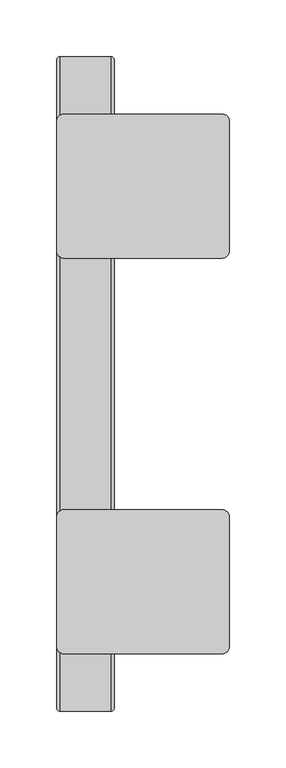
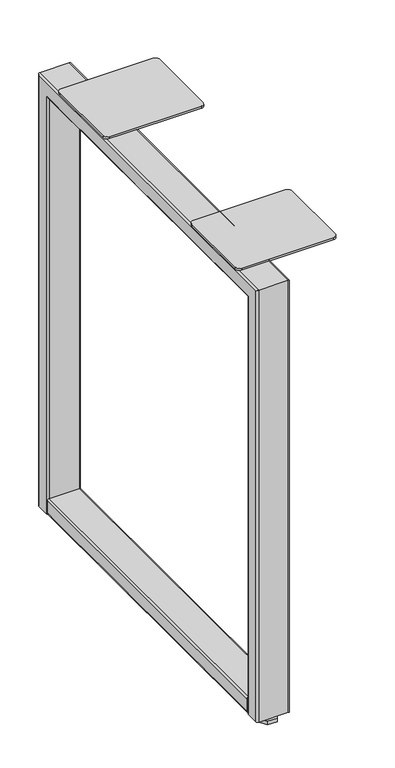
"""IFC4 building model written with IfcOpenShell, lengths in millimetres: furniture geometry."""

from ifc_helpers import new_model, si_unit, point, frame, frame_2d, origin, origin_with_axes, place, context, project, spatial, polyline, circle_curve, ellipse_curve, trimmed, segment, composite_curve, outline, extrude, source, transform, mapped, element, save
from ifc_brep_helpers import plane_surface, cylinder_surface, advanced_brep


def furniture_127b1be9(model_context):
    return source(origin(), model_context, "Body", "SolidModel", [
        extrude(outline(polyline([(37.813262, -579.5470294), (45.1465239, -592.2486117), (37.813262, -604.950194), (23.146738, -604.950194), (15.8134761, -592.2486117), (23.146738, -579.5470294), (37.813262, -579.5470294)])), origin_with_axes(), (0.0, 0.0, 1.0), 5.5879998),
        extrude(outline(polyline([(37.8123494, -33.7057875), (45.1446988, -46.4057893), (37.8123494, -59.105791), (23.1476506, -59.105791), (15.8153012, -46.4057893), (23.1476506, -33.7057875), (37.8123494, -33.7057875)])), origin_with_axes(), (0.0, 0.0, 1.0), 5.5879998),
        extrude(outline(polyline([(32.8621655, -42.2797575), (35.2443311, -46.4057893), (32.8621655, -50.531821), (28.0978345, -50.531821), (25.7156689, -46.4057893), (28.0978345, -42.2797575), (32.8621655, -42.2797575)])), origin_with_axes(), (0.0, 0.0, 1.0), 68.199153),
        extrude(outline(polyline([(32.8612504, -588.1241651), (35.2425008, -592.2486117), (32.8612504, -596.3730584), (28.0987496, -596.3730584), (25.7174992, -592.2486117), (28.0987496, -588.1241651), (32.8612504, -588.1241651)])), origin_with_axes(), (0.0, 0.0, 1.0), 68.199153),
        extrude(outline(composite_curve([segment(polyline([(37.2236999, 53.1114001), (37.2236999, 7.8485992)]), True, "CONTINUOUS"), segment(trimmed(circle_curve(frame_2d((34.4551008, 7.8485992)), 2.7685992), [point((37.2236999, 7.8485992))], [point((34.4551008, 5.08))], False, "CARTESIAN"), True, "CONTINUOUS"), segment(polyline([(34.4551008, 5.08), (14.5922995, 5.08)]), True, "CONTINUOUS"), segment(trimmed(circle_curve(frame_2d((14.5922995, 7.8485992)), 2.7685992), [point((14.5922995, 5.08))], [point((11.8237003, 7.8485992))], False, "CARTESIAN"), True, "CONTINUOUS"), segment(polyline([(11.8237003, 7.8485992), (11.8237003, 53.111432)]), True, "CONTINUOUS"), segment(trimmed(circle_curve(frame_2d((14.5922684, 53.111432)), 2.768568), [point((11.8237003, 53.111432))], [point((14.5922684, 55.88))], False, "CARTESIAN"), True, "CONTINUOUS"), segment(polyline([(14.5922684, 55.88), (34.4551, 55.88)]), True, "CONTINUOUS"), segment(trimmed(circle_curve(frame_2d((34.4551, 53.1114001)), 2.7685999), [point((34.4551, 55.88))], [point((37.2236999, 53.1114001))], False, "CARTESIAN"), True, "CONTINUOUS")], self_intersect=False)), frame((0.0, -582.5998, 0.0), z_axis=(0.0, 1.0, 0.0), x_axis=(0.0, 0.0, 1.0)), (0.0, 0.0, 1.0), 526.542),
        advanced_brep(
        [(7.8485901, -608.2538, 11.8237003), (5.08, -605.4852099, 11.8237003), (5.08, -585.6224098, 11.8237003), (7.8486105, -582.8537992, 11.8237003), (53.1114046, -582.8537992, 11.8237003), (55.8799992, -585.6223939, 11.8237003), (55.8800083, -605.4852236, 11.8237003), (53.111432, -608.2538, 11.8237003), (7.8485901, -608.2538, 707.7956896), (5.08, -605.4852099, 705.0270995), (5.08, -33.1723901, 705.0270995), (5.08, -33.1723901, 11.8237003), (5.08, -53.0351902, 11.8237003), (5.08, -53.0351902, 685.1642994), (5.08, -585.6224098, 685.1642994), (7.8486105, -582.8537992, 682.3956889), (53.1114046, -582.8537992, 682.3956889), (55.8799992, -585.6223939, 685.1642835), (55.8800083, -53.0351993, 685.1642903), (55.8800083, -53.0351993, 11.8237003), (55.8800083, -33.1723764, 11.8237003), (55.8800083, -33.1723764, 705.0271132), (55.8800083, -605.4852236, 705.0271132), (53.111432, -608.2538, 707.7956896), (7.8485901, -30.4038, 707.7956896), (7.8486105, -55.8038008, 682.3956889), (53.1114046, -55.8038008, 682.3956889), (53.111432, -30.4038, 707.7956896), (7.8485901, -30.4038, 11.8237003), (53.111432, -30.4038, 11.8237003), (53.1114046, -55.8038008, 11.8237003), (7.8486105, -55.8038008, 11.8237003)],
        [
            (0, 1, circle_curve(frame((7.8485901, -605.4852099, 11.8237003), z_axis=(0.0, 0.0, -1.0), x_axis=(1.0, 0.0, 0.0)), 2.7685901)),
            (1, 2),
            (2, 3, circle_curve(frame((7.8486105, -585.6224098, 11.8237003), z_axis=(0.0, 0.0, -1.0), x_axis=(1.0, 0.0, 0.0)), 2.7686105)),
            (3, 4),
            (4, 5, circle_curve(frame((53.1114046, -585.6223939, 11.8237003), z_axis=(0.0, 0.0, -1.0), x_axis=(1.0, 0.0, 0.0)), 2.7685946)),
            (5, 6),
            (6, 7, circle_curve(frame((53.111432, -605.4852236, 11.8237003), z_axis=(0.0, 0.0, -1.0), x_axis=(1.0, 0.0, 0.0)), 2.7685764)),
            (7, 0),
            (0, 8),
            (8, 9, ellipse_curve(frame((7.8485901, -605.4852099, 705.0270995), z_axis=(0.0, -0.7071067811865476, -0.7071067811865475), x_axis=(0.0, 0.7071067811865474, -0.7071067811865476)), 3.9153777, 2.7685901)),
            (9, 1),
            (9, 10),
            (10, 11),
            (11, 12),
            (12, 13),
            (13, 14),
            (14, 2),
            (14, 15, ellipse_curve(frame((7.8486105, -585.6224098, 685.1642994), z_axis=(0.0, -0.7071067811865476, -0.7071067811865475), x_axis=(0.0, 0.7071067811865474, -0.7071067811865476)), 3.9154066, 2.7686105)),
            (15, 3),
            (15, 16),
            (16, 4),
            (16, 17, ellipse_curve(frame((53.1114046, -585.6223939, 685.1642835), z_axis=(0.0, -0.7071067811865476, -0.7071067811865475), x_axis=(0.0, 0.7071067811865474, -0.7071067811865476)), 3.9153841, 2.7685946)),
            (17, 5),
            (17, 18),
            (18, 19),
            (19, 20),
            (20, 21),
            (21, 22),
            (22, 6),
            (22, 23, ellipse_curve(frame((53.111432, -605.4852236, 705.0271132), z_axis=(0.0, -0.7071067811865476, -0.7071067811865475), x_axis=(0.0, 0.7071067811865474, -0.7071067811865476)), 3.9153583, 2.7685764)),
            (23, 7),
            (23, 8),
            (8, 24),
            (24, 10, ellipse_curve(frame((7.8485901, -33.1723901, 705.0270995), z_axis=(0.0, -0.7071067811865649, 0.70710678118653), x_axis=(0.0, -0.7071067811865303, -0.7071067811865648)), 3.9153777, 2.7685901)),
            (13, 25, ellipse_curve(frame((7.8486105, -53.0351902, 685.1642994), z_axis=(0.0, -0.7071067811865649, 0.70710678118653), x_axis=(0.0, -0.7071067811865303, -0.7071067811865648)), 3.9154066, 2.7686105)),
            (25, 15),
            (25, 26),
            (26, 16),
            (26, 18, ellipse_curve(frame((53.1114046, -53.0352061, 685.1642835), z_axis=(0.0, -0.7071067811865649, 0.70710678118653), x_axis=(0.0, -0.7071067811865303, -0.7071067811865648)), 3.9153841, 2.7685946)),
            (21, 27, ellipse_curve(frame((53.111432, -33.1723764, 705.0271132), z_axis=(0.0, -0.7071067811865649, 0.70710678118653), x_axis=(0.0, -0.7071067811865303, -0.7071067811865648)), 3.9153583, 2.7685764)),
            (27, 23),
            (27, 24),
            (28, 29),
            (29, 20, circle_curve(frame((53.111432, -33.1723764, 11.8237003), z_axis=(0.0, 0.0, -1.0), x_axis=(1.0, 0.0, 0.0)), 2.7685764)),
            (19, 30, circle_curve(frame((53.1114046, -53.0352061, 11.8237003), z_axis=(0.0, 0.0, -1.0), x_axis=(1.0, 0.0, 0.0)), 2.7685946)),
            (30, 31),
            (31, 12, circle_curve(frame((7.8486105, -53.0351902, 11.8237003), z_axis=(0.0, 0.0, -1.0), x_axis=(1.0, 0.0, 0.0)), 2.7686105)),
            (11, 28, circle_curve(frame((7.8485901, -33.1723901, 11.8237003), z_axis=(0.0, 0.0, -1.0), x_axis=(1.0, 0.0, 0.0)), 2.7685901)),
            (24, 28),
            (31, 25),
            (30, 26),
            (29, 27),
        ],
        [
            plane_surface(frame((5.08, -608.2538, 11.8237003), z_axis=(0.0, 0.0, -1.0), x_axis=(1.0, 0.0, 0.0))),
            cylinder_surface(frame((7.8485901, -605.4852099, 11.8237003), z_axis=(0.0, 0.0, -1.0), x_axis=(1.0, 0.0, 0.0)), 2.7685901),
            plane_surface(frame((5.08, -605.4852099, 11.8237003), z_axis=(-1.0, 0.0, 0.0), x_axis=(0.0, 0.0, 1.0))),
            cylinder_surface(frame((7.8486105, -585.6224098, 11.8237003), z_axis=(0.0, 0.0, -1.0), x_axis=(1.0, 0.0, 0.0)), 2.7686105),
            plane_surface(frame((7.8486105, -582.8537992, 11.8237003), z_axis=(0.0, 1.0, 0.0), x_axis=(0.0, 0.0, 1.0))),
            cylinder_surface(frame((53.1114046, -585.6223939, 11.8237003), z_axis=(0.0, 0.0, -1.0), x_axis=(1.0, 0.0, 0.0)), 2.7685946),
            plane_surface(frame((55.8800083, -585.6224007, 11.8237003), z_axis=(1.0, 0.0, 0.0), x_axis=(0.0, 0.0, 1.0))),
            cylinder_surface(frame((53.111432, -605.4852236, 11.8237003), z_axis=(0.0, 0.0, -1.0), x_axis=(1.0, 0.0, 0.0)), 2.7685764),
            plane_surface(frame((53.111432, -608.2538, 11.8237003), z_axis=(0.0, -1.0, 0.0), x_axis=(0.0, 0.0, 1.0))),
            cylinder_surface(frame((7.8485901, -608.2538, 705.0270995), z_axis=(0.0, -1.0, 0.0), x_axis=(1.0, 0.0, 0.0)), 2.7685901),
            cylinder_surface(frame((7.8486105, -608.2538, 685.1642994), z_axis=(0.0, -1.0, 0.0), x_axis=(1.0, 0.0, 0.0)), 2.7686105),
            plane_surface(frame((7.8486105, -582.8537992, 682.3956889), z_axis=(0.0, 0.0, -1.0), x_axis=(0.0, 1.0, 0.0))),
            cylinder_surface(frame((53.1114046, -608.2538, 685.1642835), z_axis=(0.0, -1.0, 0.0), x_axis=(1.0, 0.0, 0.0)), 2.7685946),
            cylinder_surface(frame((53.111432, -608.2538, 705.0271132), z_axis=(0.0, -1.0, 0.0), x_axis=(1.0, 0.0, 0.0)), 2.7685764),
            plane_surface(frame((53.111432, -608.2538, 707.7956896), z_axis=(0.0, 0.0, 1.0), x_axis=(0.0, 1.0, 0.0))),
            plane_surface(frame((5.08, -30.4038, 11.8237003), z_axis=(0.0, 0.0, -1.0), x_axis=(1.0, 0.0, 0.0))),
            cylinder_surface(frame((7.8485901, -33.1723901, 707.7956896), z_axis=(0.0, 0.0, 1.0), x_axis=(1.0, 0.0, 0.0)), 2.7685901),
            cylinder_surface(frame((7.8486105, -53.0351902, 707.7956896), z_axis=(0.0, 0.0, 1.0), x_axis=(1.0, 0.0, 0.0)), 2.7686105),
            plane_surface(frame((7.8486105, -55.8038008, 682.3956889), z_axis=(0.0, -1.0, 0.0), x_axis=(0.0, 0.0, -1.0))),
            cylinder_surface(frame((53.1114046, -53.0352061, 707.7956896), z_axis=(0.0, 0.0, 1.0), x_axis=(1.0, 0.0, 0.0)), 2.7685946),
            cylinder_surface(frame((53.111432, -33.1723764, 707.7956896), z_axis=(0.0, 0.0, 1.0), x_axis=(1.0, 0.0, 0.0)), 2.7685764),
            plane_surface(frame((53.111432, -30.4038, 707.7956896), z_axis=(0.0, 1.0, 0.0), x_axis=(0.0, 0.0, -1.0))),
        ],
        [
            (0, [[1, 2, 3, 4, 5, 6, 7, 8]]),
            (1, [[-1, 9, 10, 11]]),
            (2, [[-2, -11, 12, 13, 14, 15, 16, 17]]),
            (3, [[-3, -17, 18, 19]]),
            (4, [[-4, -19, 20, 21]]),
            (5, [[-5, -21, 22, 23]]),
            (6, [[-6, -23, 24, 25, 26, 27, 28, 29]]),
            (7, [[-7, -29, 30, 31]]),
            (8, [[-8, -31, 32, -9]]),
            (9, [[-10, 33, 34, -12]]),
            (10, [[-18, -16, 35, 36]]),
            (11, [[-20, -36, 37, 38]]),
            (12, [[-22, -38, 39, -24]]),
            (13, [[-30, -28, 40, 41]]),
            (14, [[-32, -41, 42, -33]]),
            (15, [[43, 44, -26, 45, 46, 47, -14, 48]]),
            (16, [[-34, 49, -48, -13]]),
            (17, [[-35, -15, -47, 50]]),
            (18, [[-37, -50, -46, 51]]),
            (19, [[-39, -51, -45, -25]]),
            (20, [[-40, -27, -44, 52]]),
            (21, [[-42, -52, -43, -49]]),
        ],
    ),
        extrude(outline(composite_curve([segment(polyline([(5.08, -551.1355767), (5.08, -436.7720735)]), True, "CONTINUOUS"), segment(trimmed(circle_curve(frame_2d((11.3982735, -436.7720735)), 6.3182735), [point((5.08, -436.7720735))], [point((11.3982735, -430.4538))], False, "CARTESIAN"), True, "CONTINUOUS"), segment(polyline([(11.3982735, -430.4538), (151.0982061, -430.4538)]), True, "CONTINUOUS"), segment(trimmed(circle_curve(frame_2d((151.0982061, -436.8037758)), 6.3499758), [point((151.0982061, -430.4538))], [point((157.4481819, -436.8037758))], False, "CARTESIAN"), True, "CONTINUOUS"), segment(polyline([(157.4481819, -436.8037758), (157.4481819, -551.1038426)]), True, "CONTINUOUS"), segment(trimmed(circle_curve(frame_2d((151.0982245, -551.1038426)), 6.3499574), [point((157.4481819, -551.1038426))], [point((151.0982245, -557.4538))], False, "CARTESIAN"), True, "CONTINUOUS"), segment(polyline([(151.0982245, -557.4538), (11.3982233, -557.4538)]), True, "CONTINUOUS"), segment(trimmed(circle_curve(frame_2d((11.3982233, -551.1355767)), 6.3182233), [point((11.3982233, -557.4538))], [point((5.08, -551.1355767))], False, "CARTESIAN"), True, "CONTINUOUS")], self_intersect=False)), frame((0.0, 0.0, 707.7956896), z_axis=(0.0, 0.0, 1.0), x_axis=(1.0, 0.0, 0.0)), (0.0, 0.0, 1.0), 3.4036),
        extrude(outline(composite_curve([segment(polyline([(5.08, -202.488712), (5.08, -87.5219288)]), True, "CONTINUOUS"), segment(trimmed(circle_curve(frame_2d((11.3981273, -87.5219288)), 6.3181273), [point((5.08, -87.5219288))], [point((11.3981273, -81.2038015))], False, "CARTESIAN"), True, "CONTINUOUS"), segment(polyline([(11.3981273, -81.2038015), (151.0982297, -81.2038015)]), True, "CONTINUOUS"), segment(trimmed(circle_curve(frame_2d((151.0982297, -87.5537537)), 6.3499522), [point((151.0982297, -81.2038015))], [point((157.4481819, -87.5537537))], False, "CARTESIAN"), True, "CONTINUOUS"), segment(polyline([(157.4481819, -87.5537537), (157.4481819, -201.8538818)]), True, "CONTINUOUS"), segment(trimmed(circle_curve(frame_2d((151.0982697, -201.8538818)), 6.3499122), [point((157.4481819, -201.8538818))], [point((151.0982697, -208.2037939))], False, "CARTESIAN"), True, "CONTINUOUS"), segment(polyline([(151.0982697, -208.2037939), (11.3981781, -208.2037939)]), True, "CONTINUOUS"), segment(trimmed(circle_curve(frame_2d((11.3981781, -201.8537943)), 6.3499996), [point((11.3981781, -208.2037939))], [point((5.08, -202.488712))], False, "CARTESIAN"), True, "CONTINUOUS")], self_intersect=False)), frame((0.0, 0.0, 707.7956896), z_axis=(0.0, 0.0, 1.0), x_axis=(1.0, 0.0, 0.0)), (0.0, 0.0, 1.0), 3.4036),
    ])


if __name__ == "__main__":
    model = new_model("IFC4")
    model_context = context("Model", 3, world=origin())
    ifc_project = project(units=[si_unit("LENGTHUNIT", "METRE", prefix="MILLI")], contexts=[model_context])
    site = spatial("IfcSite", under=ifc_project)
    building = spatial("IfcBuilding", under=site)
    placement = place(None, origin())
    furniture_shape = furniture_127b1be9(model_context)
    element("IfcFurniture", 1, at=placement, inside=building, context=model_context, shape_type="MappedRepresentation", body=[
        mapped(furniture_shape, transform((0.0, 0.0, 0.0), x_axis=(1.0, 0.0, 0.0), y_axis=(0.0, 1.0, 0.0), z_axis=(0.0, 0.0, 1.0))),
    ])
    save(model, "model.ifc")
